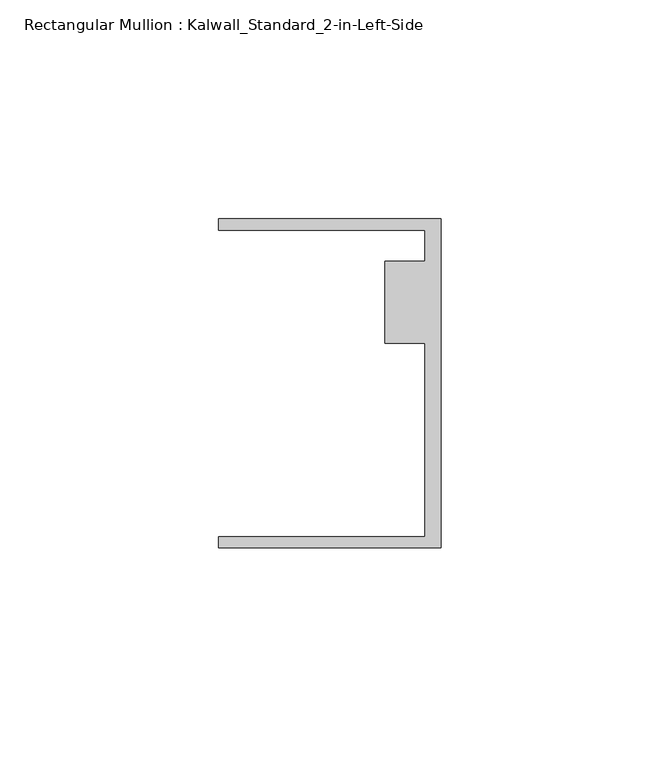
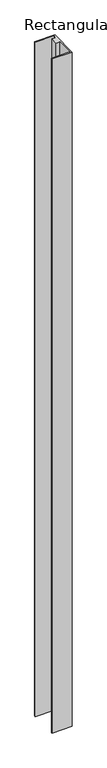
"""IFC4 building model written with IfcOpenShell, lengths in millimetres: member geometry, Rectangular Mullion : Kalwall_Standard_2-in-Left-Side."""

from ifc_helpers import new_model, si_unit, frame, origin, place, context, project, spatial, polyline, outline, extrude, source, transform, mapped, element, save


def rectangular_mullion_kalwall_standard_2_in_left_side_49467dfc(model_context):
    return source(origin(), model_context, "Body", "SweptSolid", [
        extrude(outline(polyline([(0.0, 37.5776386), (0.0, -37.5023614), (-50.8, -37.5023614), (-50.8, -34.9623614), (-3.7084, -34.9623614), (-3.7084, 9.1879886), (-12.8272539, 9.1879886), (-12.8272539, 27.8888568), (-3.7084, 27.8888568), (-3.7084, 35.0376386), (-50.8, 35.0376386), (-50.8, 37.5776386), (0.0, 37.5776386)])), frame((0.0, 0.0, -1795.25), z_axis=(0.0, 0.0, 1.0), x_axis=(1.0, 0.0, 0.0)), (0.0, 0.0, 1.0), 1795.25),
    ])


if __name__ == "__main__":
    model = new_model("IFC4")
    model_context = context("Model", 3, world=origin())
    ifc_project = project(units=[si_unit("LENGTHUNIT", "METRE", prefix="MILLI")], contexts=[model_context])
    site = spatial("IfcSite", under=ifc_project)
    building = spatial("IfcBuilding", under=site)
    placement = place(None, origin())
    rectangular_mullion_kalwall_standard_2_in_left_side_shape = rectangular_mullion_kalwall_standard_2_in_left_side_49467dfc(model_context)
    element("IfcMember", 1, ObjectType="Rectangular Mullion : Kalwall_Standard_2-in-Left-Side", at=placement, inside=building, context=model_context, shape_type="MappedRepresentation", body=[
        mapped(rectangular_mullion_kalwall_standard_2_in_left_side_shape, transform((0.0, 0.0, 0.0), x_axis=(1.0, 0.0, 0.0), y_axis=(0.0, 1.0, 0.0), z_axis=(0.0, 0.0, 1.0))),
    ])
    save(model, "model.ifc")
